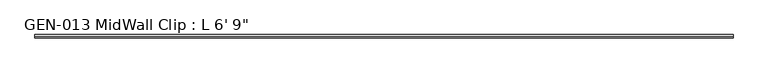
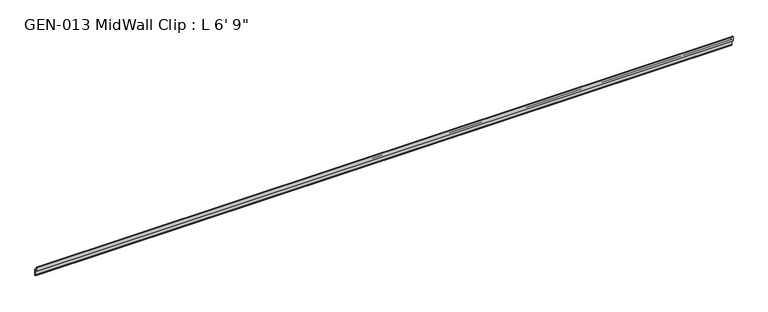
"""IFC4 building model written with IfcOpenShell, lengths in millimetres: proxy geometry."""

from ifc_helpers import new_model, si_unit, point, frame, frame_2d, origin, place, context, project, spatial, polyline, circle_curve, trimmed, segment, composite_curve, outline, extrude, source, transform, mapped, element, save


def proxy_20751b27(model_context):
    return source(origin(), model_context, "Body", "SweptSolid", [
        extrude(outline(composite_curve([segment(trimmed(circle_curve(frame_2d((1.9177, 1.1238237)), 1.27), [point((3.1877, 1.1238237))], [point((1.9177, 2.3938237))], True, "CARTESIAN"), True, "CONTINUOUS"), segment(polyline([(1.9177, 2.3938237), (-4.7625, 2.3938237), (-4.7625, 14.4786268)]), True, "CONTINUOUS"), segment(trimmed(circle_curve(frame_2d((-3.5698235, 13.3878692)), 1.6162393), [point((-4.7625, 14.4786268))], [point((-2.4411308, 14.5447106))], False, "CARTESIAN"), True, "CONTINUOUS"), segment(polyline([(-2.4411308, 14.5447106), (-0.630157, 3.9686237), (4.7625, 3.9686237), (4.7625, -15.0559763), (1.6129, -15.0559763), (1.6129, -13.4811763), (3.1877, -13.4811763), (3.1877, 1.1238237)]), True, "CONTINUOUS")], self_intersect=False)), frame((0.0, 0.0, 0.0), z_axis=(1.0, 0.0, 0.0), x_axis=(0.0, 1.0, 0.0)), (0.0, 0.0, 1.0), 2057.4),
    ])


if __name__ == "__main__":
    model = new_model("IFC4")
    model_context = context("Model", 3, world=origin())
    ifc_project = project(units=[si_unit("LENGTHUNIT", "METRE", prefix="MILLI")], contexts=[model_context])
    site = spatial("IfcSite", under=ifc_project)
    building = spatial("IfcBuilding", under=site)
    placement = place(None, origin())
    proxy_shape = proxy_20751b27(model_context)
    element("IfcBuildingElementProxy", 1, Name="GEN-013 MidWall Clip : L 6' 9\"", ObjectType="GEN-013 MidWall Clip : L 6' 9\"", at=placement, inside=building, context=model_context, shape_type="MappedRepresentation", body=[
        mapped(proxy_shape, transform((0.0, 0.0, 0.0), x_axis=(1.0, 0.0, 0.0), y_axis=(0.0, 1.0, 0.0), z_axis=(0.0, 0.0, 1.0))),
    ])
    save(model, "model.ifc")
